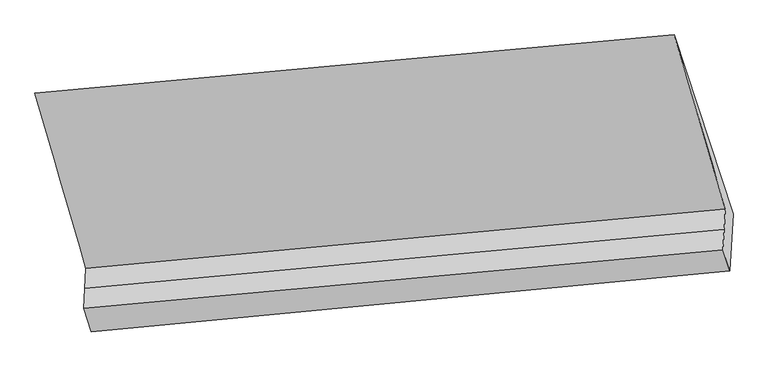
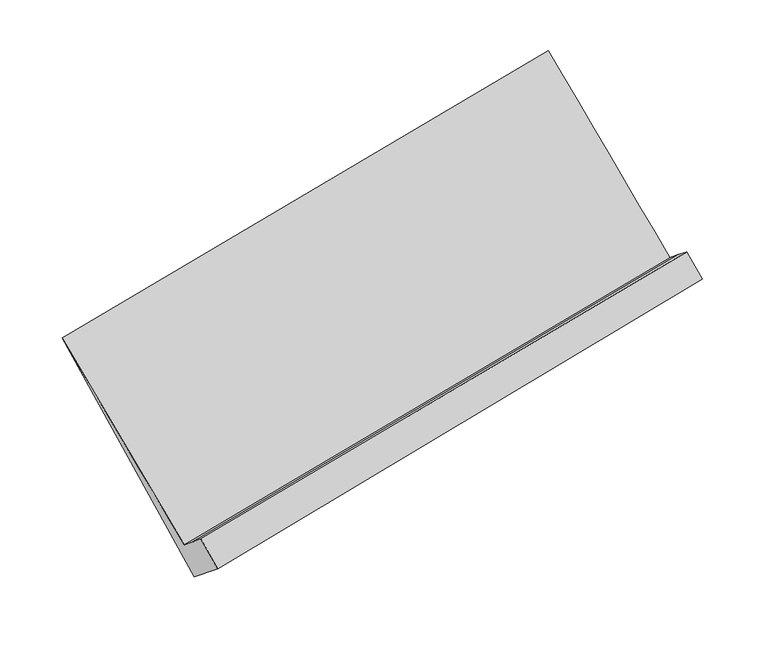
"""IFC4 building model written with IfcOpenShell, lengths in millimetres: proxy geometry."""

from ifc_helpers import new_model, si_unit, frame, origin, place, context, project, spatial, source, transform, mapped, element, save
from ifc_brep_helpers import plane_surface, spline_surface, advanced_brep


def generic_models_a41578ae(model_context):
    return source(origin(), model_context, "Body", "AdvancedBrep", [
        advanced_brep(
        [(-5170.6346325, -1927.0724318, 1365.6174325), (-5179.4043518, -2075.7047366, 1486.6190749), (-475.0033424, -1642.4090071, 2361.2765026), (-466.1898682, -1493.0351298, 2239.6711456), (-5161.8649132, -1778.440127, 1244.6157901), (-457.3763941, -1343.6612526, 2118.0657887), (-5537.6461707, -490.4544942, 2600.0561715), (-834.0346111, -59.8515259, 3480.2611629), (-5100.1042492, -1832.6719706, 943.0982147), (-400.3787466, -1380.1609421, 1833.024704), (-5124.5444505, -2246.8931479, 1280.3159066), (-425.049432, -1798.2884447, 2173.4225375)],
        [
            (0, 1),
            (1, 2),
            (2, 3),
            (3, 0),
            (4, 0),
            (3, 5),
            (5, 4),
            (6, 4),
            (5, 7),
            (7, 6),
            (8, 6),
            (7, 9),
            (9, 8),
            (10, 8),
            (9, 11),
            (11, 10),
            (1, 10),
            (11, 2),
        ],
        [
            plane_surface(frame((-5175.0194921, -2001.3885842, 1426.1182537), z_axis=(-0.19790715470835601, 0.6258488765388384, 0.7544176176696278), x_axis=(-0.045709194247652, -0.7746955930534581, 0.6306801151651931))),
            plane_surface(frame((-5166.2497728, -1852.7562794, 1305.1166113), z_axis=(-0.1979071547083559, 0.6258488765388396, 0.7544176176696268), x_axis=(-0.04570919424765198, -0.7746955930534571, 0.6306801151651944))),
            spline_surface(1, 1, [[(-5537.6461707, -490.4544942, 2600.0561715), (-834.0346111, -59.8515259, 3480.2611629)], [(-5161.8649132, -1778.440127, 1244.6157901), (-457.3763941, -1343.6612526, 2118.0657887)]], [2, 2], [2, 2], [0.0, 1.0], [0.0, 1.0]),
            spline_surface(1, 1, [[(-5100.1042492, -1832.6719706, 943.0982147), (-400.3787466, -1380.1609421, 1833.024704)], [(-5537.6461707, -490.4544942, 2600.0561715), (-834.0346111, -59.8515259, 3480.2611629)]], [2, 2], [2, 2], [0.0, 1.0], [0.0, 1.0]),
            plane_surface(frame((-5112.3243498, -2039.7825592, 1111.7070607), z_axis=(0.2028915505439528, -0.625380684985879, -0.7534812655696647), x_axis=(0.045709194247652095, 0.7746955930534575, -0.6306801151651938))),
            plane_surface(frame((-5151.9744011, -2161.2989422, 1383.4674908), z_axis=(-0.04589706911908939, -0.774713237054871, 0.6306447965203872), x_axis=(0.20048573511794138, -0.625608753871568, -0.7539357778308988))),
            plane_surface(frame((-518.3685052, -1244.8742345, 2393.2101391), z_axis=(0.9786297254710029, 0.09198056959402062, 0.18391148751970113), x_axis=(-0.20121861323581833, 0.6126305477048032, 0.7643264235301348))),
            plane_surface(frame((-5220.7128271, -1684.8328953, 1510.9410316), z_axis=(-0.9786297254710032, -0.09198056959402948, -0.18391148751969527), x_axis=(0.045709194247653843, 0.7746955930534569, -0.6306801151651946))),
        ],
        [
            (0, [[1, 2, 3, 4]]),
            (1, [[5, -4, 6, 7]]),
            (2, [[8, -7, 9, 10]]),
            (3, [[11, -10, 12, 13]]),
            (4, [[14, -13, 15, 16]]),
            (5, [[17, -16, 18, -2]]),
            (6, [[-12, -9, -6, -3, -18, -15]]),
            (7, [[-1, -5, -8, -11, -14, -17]]),
        ],
    ),
    ])


if __name__ == "__main__":
    model = new_model("IFC4")
    model_context = context("Model", 3, world=origin())
    ifc_project = project(units=[si_unit("LENGTHUNIT", "METRE", prefix="MILLI")], contexts=[model_context])
    site = spatial("IfcSite", under=ifc_project)
    building = spatial("IfcBuilding", under=site)
    placement = place(None, origin())
    generic_models_shape = generic_models_a41578ae(model_context)
    element("IfcBuildingElementProxy", 1, Name="Generic Models", at=placement, inside=building, context=model_context, shape_type="MappedRepresentation", body=[
        mapped(generic_models_shape, transform((0.0, 0.0, 0.0), x_axis=(1.0, 0.0, 0.0), y_axis=(0.0, 1.0, 0.0), z_axis=(0.0, 0.0, 1.0))),
    ])
    save(model, "model.ifc")
